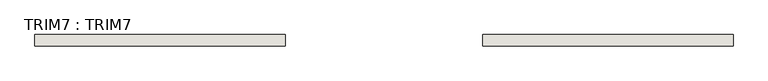
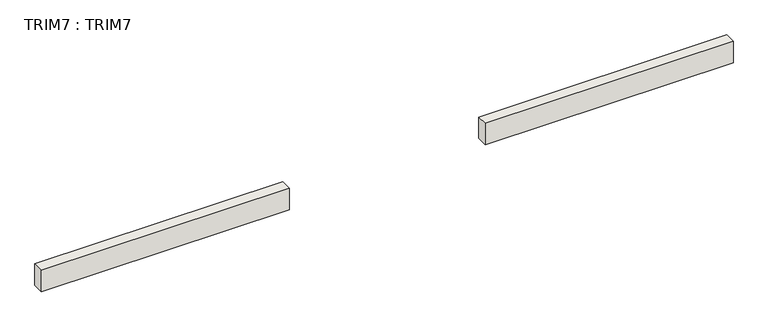
"""IFC4 building model written with IfcOpenShell, lengths in millimetres: wall geometry, TRIM7 : TRIM7."""

from ifc_helpers import new_model, si_unit, frame, origin, place, context, project, spatial, polyline, outline, extrude, source, transform, mapped, element, save


def trim7_trim7_43b18d1d(model_context):
    return source(origin(), model_context, "Body", "SweptSolid", [
        extrude(outline(polyline([(-9115.8216415, 4268.6732965), (-7998.2216415, 4268.6732965), (-7998.2216415, 4217.8732965), (-9115.8216415, 4217.8732965), (-9115.8216415, 4268.6732965)])), frame((0.0, 0.0, 5365.75), z_axis=(0.0, 0.0, 1.0), x_axis=(1.0, 0.0, 0.0)), (0.0, 0.0, 1.0), 101.6),
        extrude(outline(polyline([(-7115.5716415, 4268.6732965), (-5997.9716415, 4268.6732965), (-5997.9716415, 4217.8732965), (-7115.5716415, 4217.8732965), (-7115.5716415, 4268.6732965)])), frame((0.0, 0.0, 5365.75), z_axis=(0.0, 0.0, 1.0), x_axis=(1.0, 0.0, 0.0)), (0.0, 0.0, 1.0), 101.6),
    ])


if __name__ == "__main__":
    model = new_model("IFC4")
    model_context = context("Model", 3, world=origin())
    ifc_project = project(units=[si_unit("LENGTHUNIT", "METRE", prefix="MILLI")], contexts=[model_context])
    site = spatial("IfcSite", under=ifc_project)
    building = spatial("IfcBuilding", under=site)
    placement = place(None, origin())
    trim7_trim7_shape = trim7_trim7_43b18d1d(model_context)
    element("IfcWall", 1, ObjectType="TRIM7 : TRIM7", at=placement, inside=building, context=model_context, shape_type="MappedRepresentation", body=[
        mapped(trim7_trim7_shape, transform((0.0, 0.0, 0.0), x_axis=(1.0, 0.0, 0.0), y_axis=(0.0, 1.0, 0.0), z_axis=(0.0, 0.0, 1.0))),
    ])
    save(model, "model.ifc")
